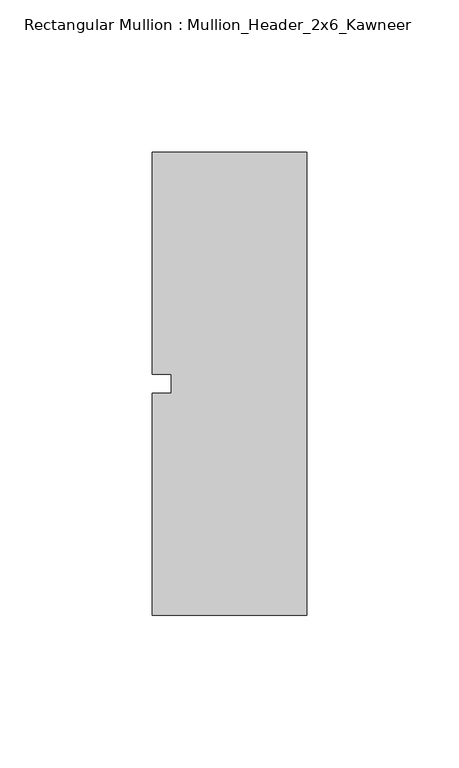
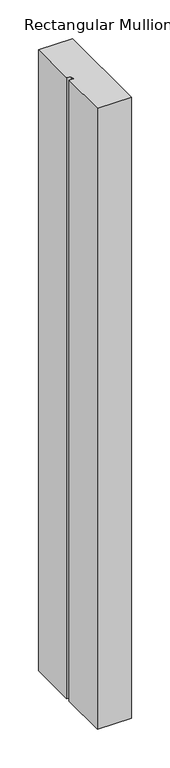
"""IFC4 building model written with IfcOpenShell, lengths in millimetres: member geometry, Rectangular Mullion : Mullion_Header_2x6_Kawneer."""

import ifcopenshell
import ifcopenshell.guid

model = None  # the IFC model being written
_history = None  # IfcOwnerHistory: only IFC2X3 demands one
_inside = {}  # id of a spatial element -> (the spatial element, [elements in it])
_under = {}  # id of a project, library or spatial element -> (it, [spatial elements below it])
_declared = {}  # id of a project -> (the project, [libraries it declares])
_typed = {}  # id of a type object -> (the type object, [elements of that type])
_made_of = {}  # id of a material, layer set ... -> (it, [elements and type objects made of it])


def new_model(schema):
    """Start an empty IFC model of exactly this schema.

    Asked for "IFC4X3", IfcOpenShell would pick the latest addendum, in which some entities
    have other attributes; the version numbers below select the first issue.
    IFC2X3 requires an IfcOwnerHistory on every rooted entity: one is made here for all.
    """
    global model, _history
    if schema == "IFC4X3":
        model = ifcopenshell.file(schema_version=(4, 3, 0, 0))
    else:
        model = ifcopenshell.file(schema=schema)
    _inside.clear()
    _under.clear()
    _declared.clear()
    _typed.clear()
    _made_of.clear()
    _history = None
    if model.schema == "IFC2X3":
        org = make("IfcOrganization", Name="unknown")
        user = make(
            "IfcPersonAndOrganization",
            ThePerson=make("IfcPerson", FamilyName="unknown"),
            TheOrganization=org,
        )
        app = make(
            "IfcApplication",
            ApplicationDeveloper=org,
            Version="unknown",
            ApplicationFullName="unknown",
            ApplicationIdentifier="unknown",
        )
        _history = make(
            "IfcOwnerHistory",
            OwningUser=user,
            OwningApplication=app,
            ChangeAction="ADDED",
            CreationDate=0,
        )
    return model


def make(cls, **values):
    """One entity of the class cls with the attributes given. An attribute that is None is left unset."""
    return model.create_entity(
        cls, **{name: value for name, value in values.items() if value is not None}
    )


def rooted(cls, **values):
    """An entity with a GlobalId (a new one), such as an element, a storey or a relation."""
    return make(cls, GlobalId=ifcopenshell.guid.new(), OwnerHistory=_history, **values)


def si_unit(unit_type, name, prefix=None):
    """IfcSIUnit, for example si_unit("LENGTHUNIT", "METRE", prefix="MILLI")."""
    return make("IfcSIUnit", UnitType=unit_type, Prefix=prefix, Name=name)


def assignment(units):
    """IfcUnitAssignment: the units of a project."""
    return None if units is None else make("IfcUnitAssignment", Units=units)


def point(xyz):
    """IfcCartesianPoint."""
    return None if xyz is None else make("IfcCartesianPoint", Coordinates=xyz)


def direction(xyz):
    """IfcDirection."""
    return None if xyz is None else make("IfcDirection", DirectionRatios=xyz)


def frame(location, z_axis=None, x_axis=None):
    """IfcAxis2Placement3D, a coordinate frame: its origin and axes. An axis left out is left unset."""
    return make(
        "IfcAxis2Placement3D",
        Location=point(location),
        Axis=direction(z_axis),
        RefDirection=direction(x_axis),
    )


def origin():
    """The frame at (0, 0, 0) with its axes left unset."""
    return frame((0.0, 0.0, 0.0))


def place(relative_to, where):
    """IfcLocalPlacement: puts the frame where relative to a parent placement (None: the world)."""
    return make(
        "IfcLocalPlacement", PlacementRelTo=relative_to, RelativePlacement=where
    )


def context(
    kind, dimensions, precision=None, world=None, true_north=None, identifier=None
):
    """IfcGeometricRepresentationContext, for example the 3D "Model" context."""
    return make(
        "IfcGeometricRepresentationContext",
        ContextIdentifier=identifier,
        ContextType=kind,
        CoordinateSpaceDimension=dimensions,
        Precision=precision,
        WorldCoordinateSystem=world,
        TrueNorth=true_north,
    )


def project(units=None, contexts=None):
    """IfcProject with its units and contexts."""
    return rooted(
        "IfcProject",
        Name="project",
        RepresentationContexts=contexts,
        UnitsInContext=assignment(units),
    )


def spatial(cls, under=None, at=None, **own):
    """A site, building, storey or space (cls), placed at a placement, below another one or the project."""
    s = rooted(cls, ObjectPlacement=at, **own)
    if under is not None:
        _under.setdefault(under.id(), (under, []))[1].append(s)
    return s


def polyline(points):
    """IfcPolyline through the points."""
    return make("IfcPolyline", Points=[point(p) for p in points])


def outline(outer, holes=None, kind="AREA"):
    """IfcArbitraryClosedProfileDef: a profile drawn as a closed curve; with holes, ...WithVoids."""
    if holes is None:
        return make("IfcArbitraryClosedProfileDef", ProfileType=kind, OuterCurve=outer)
    return make(
        "IfcArbitraryProfileDefWithVoids",
        ProfileType=kind,
        OuterCurve=outer,
        InnerCurves=holes,
    )


def extrude(swept, where, along, depth):
    """IfcExtrudedAreaSolid: the profile swept, set in the frame where, extruded along a direction by depth."""
    return make(
        "IfcExtrudedAreaSolid",
        SweptArea=swept,
        Position=where,
        ExtrudedDirection=direction(along),
        Depth=depth,
    )


def shape(context_of_items, identifier, shape_type, items):
    """IfcShapeRepresentation: the items that make up one representation, for example the "Body"."""
    return make(
        "IfcShapeRepresentation",
        ContextOfItems=context_of_items,
        RepresentationIdentifier=identifier,
        RepresentationType=shape_type,
        Items=items,
    )


def source(mapping_origin, context_of_items, identifier, shape_type, items):
    """IfcRepresentationMap: a shape defined once, which mapped items show again and again."""
    return make(
        "IfcRepresentationMap",
        MappingOrigin=mapping_origin,
        MappedRepresentation=shape(context_of_items, identifier, shape_type, items),
    )


def transform(
    local_origin,
    x_axis=None,
    y_axis=None,
    z_axis=None,
    scale=None,
    scale2=None,
    scale3=None,
    uniform=True,
):
    """IfcCartesianTransformationOperator3D, or its non-uniform kind. x_axis, y_axis, z_axis: its Axis1, 2, 3."""
    if uniform:
        return make(
            "IfcCartesianTransformationOperator3D",
            Axis1=direction(x_axis),
            Axis2=direction(y_axis),
            LocalOrigin=point(local_origin),
            Scale=scale,
            Axis3=direction(z_axis),
        )
    return make(
        "IfcCartesianTransformationOperator3DnonUniform",
        Axis1=direction(x_axis),
        Axis2=direction(y_axis),
        LocalOrigin=point(local_origin),
        Scale=scale,
        Axis3=direction(z_axis),
        Scale2=scale2,
        Scale3=scale3,
    )


def mapped(mapping_source, mapping_target):
    """IfcMappedItem: shows the shape of a source again, moved by a transform."""
    return make(
        "IfcMappedItem", MappingSource=mapping_source, MappingTarget=mapping_target
    )


def made_of(thing, what):
    """Note that an element or type object is made of a material, layer set ...; save() writes the relation."""
    if what is not None:
        _made_of.setdefault(what.id(), (what, []))[1].append(thing)
    return thing


def element(
    cls,
    number,
    at=None,
    inside=None,
    cuts=None,
    type_object=None,
    material=None,
    context=None,
    identifier="Body",
    shape_type=None,
    held_by="IfcProductDefinitionShape",
    body=None,
    shapes=None,
    **own,
):
    """One element of the class cls, such as IfcWall. Its Tag is "e" and its number.

    at: its placement. inside: the storey or other place that contains it. cuts: it is an
    opening in that element (IfcRelVoidsElement). A single representation is given by context,
    identifier, shape_type and body (its items); several are given by shapes. held_by: the class
    of the entity that holds the representations. save() writes the other relations.
    """
    e = rooted(cls, Tag="e%d" % number, ObjectPlacement=at, **own)
    if body is not None:
        shapes = [shape(context, identifier, shape_type, body)]
    if shapes is not None:
        e.Representation = make(held_by, Representations=shapes)
    if inside is not None:
        _inside.setdefault(inside.id(), (inside, []))[1].append(e)
    if cuts is not None:
        rooted(
            "IfcRelVoidsElement", RelatingBuildingElement=cuts, RelatedOpeningElement=e
        )
    if type_object is not None:
        _typed.setdefault(type_object.id(), (type_object, []))[1].append(e)
    return made_of(e, material)


def aggregate(whole, parts):
    """IfcRelAggregates: a whole, such as a stair, and the parts it consists of."""
    return rooted("IfcRelAggregates", RelatingObject=whole, RelatedObjects=parts)


def save(model, path):
    """Write the relations noted so far, then the file.

    IfcRelAggregates (storeys below a building ...), IfcRelContainedInSpatialStructure (elements
    in a storey), IfcRelDefinesByType, IfcRelAssociatesMaterial and IfcRelDeclares: one each for
    every whole, place, type object, material and project.
    """
    for whole, parts in _under.values():
        aggregate(whole, parts)
    for where, things in _inside.values():
        rooted(
            "IfcRelContainedInSpatialStructure",
            RelatedElements=things,
            RelatingStructure=where,
        )
    for kind, things in _typed.values():
        rooted("IfcRelDefinesByType", RelatedObjects=things, RelatingType=kind)
    for what, things in _made_of.values():
        rooted("IfcRelAssociatesMaterial", RelatedObjects=things, RelatingMaterial=what)
    for by, libraries in _declared.values():
        rooted("IfcRelDeclares", RelatingContext=by, RelatedDefinitions=libraries)
    model.write(path)


def rectangular_mullion_mullion_header_2x6_kawneer_87d57182(model_context):
    return source(origin(), model_context, "Body", "SweptSolid", [
        extrude(outline(polyline([(-50.8, 76.2), (0.0, 76.2), (0.0, -76.2), (-50.8, -76.2), (-50.8, -3.175), (-44.45, -3.175), (-44.45, 3.175), (-50.8, 3.175), (-50.8, 76.2)])), frame((0.0, 0.0, -980.44), z_axis=(0.0, 0.0, 1.0), x_axis=(1.0, 0.0, 0.0)), (0.0, 0.0, 1.0), 980.44),
    ])


if __name__ == "__main__":
    model = new_model("IFC4")
    model_context = context("Model", 3, world=origin())
    ifc_project = project(units=[si_unit("LENGTHUNIT", "METRE", prefix="MILLI")], contexts=[model_context])
    site = spatial("IfcSite", under=ifc_project)
    building = spatial("IfcBuilding", under=site)
    placement = place(None, origin())
    rectangular_mullion_mullion_header_2x6_kawneer_shape = rectangular_mullion_mullion_header_2x6_kawneer_87d57182(model_context)
    element("IfcMember", 1, ObjectType="Rectangular Mullion : Mullion_Header_2x6_Kawneer", at=placement, inside=building, context=model_context, shape_type="MappedRepresentation", body=[
        mapped(rectangular_mullion_mullion_header_2x6_kawneer_shape, transform((0.0, 0.0, 0.0), x_axis=(1.0, 0.0, 0.0), y_axis=(0.0, 1.0, 0.0), z_axis=(0.0, 0.0, 1.0))),
    ])
    save(model, "model.ifc")
